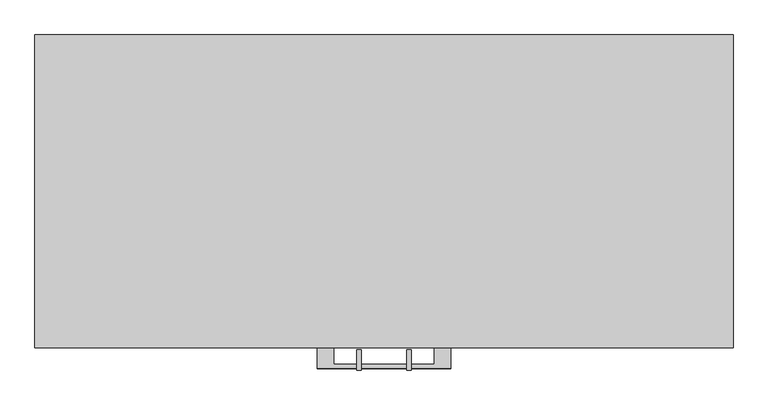
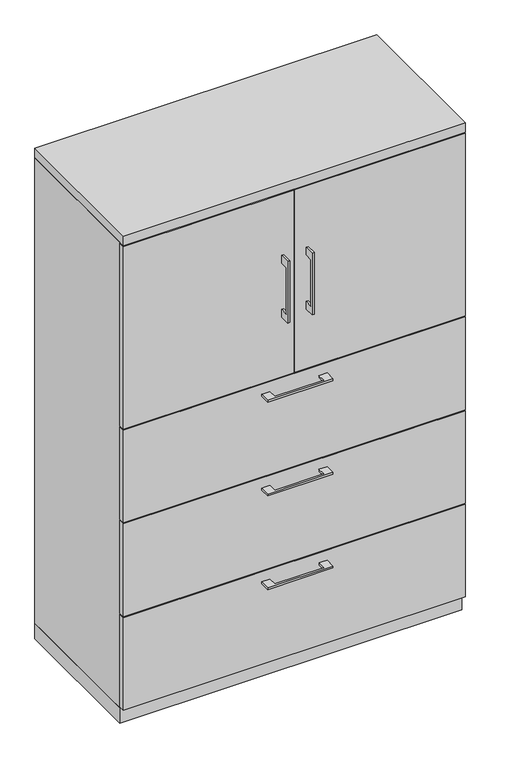
"""IFC4 building model written with IfcOpenShell, lengths in millimetres: furniture geometry."""

from ifc_helpers import new_model, si_unit, frame, origin, origin_with_axes, place, context, project, spatial, polyline, outline, extrude, source, transform, mapped, element, save


def furniture_4214bda1(model_context):
    return source(origin(), model_context, "Body", "SweptSolid", [
        extrude(outline(polyline([(-76.1999818, -476.25), (-76.1999818, -501.6499758), (76.2, -501.6499758), (76.2, -476.25), (101.5999939, -476.25), (101.5999939, -507.9999879), (-101.5999939, -507.9999879), (-101.5999939, -476.25), (-76.1999818, -476.25)])), frame((0.0, 0.0, 935.0375506), z_axis=(0.0, 0.0, 1.0), x_axis=(1.0, 0.0, 0.0)), (0.0, 0.0, 1.0), 6.3499758),
        extrude(outline(polyline([(531.8125, -457.2), (531.8125, -476.25), (-531.8125, -476.25), (-531.8125, -457.2), (531.8125, -457.2)])), frame((0.0, 0.0, 669.925), z_axis=(0.0, 0.0, 1.0), x_axis=(1.0, 0.0, 0.0)), (0.0, 0.0, 1.0), 304.8),
        extrude(outline(polyline([(-479.425, 1354.1375), (-504.8249758, 1354.1375), (-504.8249758, 1201.7375), (-479.425, 1201.7375), (-479.425, 1176.3375), (-511.1749879, 1176.3375), (-511.1749879, 1379.5375), (-479.425, 1379.5375), (-479.425, 1354.1375)])), frame((-41.2749879, 0.0, 0.0), z_axis=(1.0, 0.0, 0.0), x_axis=(0.0, 1.0, 0.0)), (0.0, 0.0, 1.0), 6.3499758),
        extrude(outline(polyline([(-531.8125, -476.25), (-531.8125, -457.2), (-1.5875, -457.2), (-1.5875, -476.25), (-531.8125, -476.25)])), frame((0.0, 0.0, 977.9), z_axis=(0.0, 0.0, 1.0), x_axis=(1.0, 0.0, 0.0)), (0.0, 0.0, 1.0), 600.075),
        extrude(outline(polyline([(-479.425, 1354.1375), (-504.8249758, 1354.1375), (-504.8249758, 1201.7375), (-479.425, 1201.7375), (-479.425, 1176.3375), (-511.1749879, 1176.3375), (-511.1749879, 1379.5375), (-479.425, 1379.5375), (-479.425, 1354.1375)])), frame((34.9250121, 0.0, 0.0), z_axis=(1.0, 0.0, 0.0), x_axis=(0.0, 1.0, 0.0)), (0.0, 0.0, 1.0), 6.3499758),
        extrude(outline(polyline([(531.8125, -476.25), (1.5875, -476.25), (1.5875, -457.2), (531.8125, -457.2), (531.8125, -476.25)])), frame((0.0, 0.0, 977.9), z_axis=(0.0, 0.0, 1.0), x_axis=(1.0, 0.0, 0.0)), (0.0, 0.0, 1.0), 600.075),
        extrude(outline(polyline([(512.7625, -19.05), (512.7625, -457.2), (-512.7625, -457.2), (-512.7625, -19.05), (512.7625, -19.05)])), frame((0.0, 0.0, 1270.0), z_axis=(0.0, 0.0, 1.0), x_axis=(1.0, 0.0, 0.0)), (0.0, 0.0, 1.0), 19.05),
        extrude(outline(polyline([(-76.1999818, -476.25), (-76.1999818, -501.6499758), (76.2, -501.6499758), (76.2, -476.25), (101.5999939, -476.25), (101.5999939, -507.9999879), (-101.5999939, -507.9999879), (-101.5999939, -476.25), (-76.1999818, -476.25)])), frame((0.0, 0.0, 627.0625506), z_axis=(0.0, 0.0, 1.0), x_axis=(1.0, 0.0, 0.0)), (0.0, 0.0, 1.0), 6.3499758),
        extrude(outline(polyline([(531.8125, -457.2), (531.8125, -476.25), (-531.8125, -476.25), (-531.8125, -457.2), (531.8125, -457.2)])), frame((0.0, 0.0, 361.95), z_axis=(0.0, 0.0, 1.0), x_axis=(1.0, 0.0, 0.0)), (0.0, 0.0, 1.0), 304.8),
        extrude(outline(polyline([(-76.1999818, -476.25), (-76.1999818, -501.6499758), (76.2, -501.6499758), (76.2, -476.25), (101.5999939, -476.25), (101.5999939, -507.9999879), (-101.5999939, -507.9999879), (-101.5999939, -476.25), (-76.1999818, -476.25)])), frame((0.0, 0.0, 319.0875506), z_axis=(0.0, 0.0, 1.0), x_axis=(1.0, 0.0, 0.0)), (0.0, 0.0, 1.0), 6.3499758),
        extrude(outline(polyline([(531.8125, -457.2), (531.8125, -476.25), (-531.8125, -476.25), (-531.8125, -457.2), (531.8125, -457.2)])), frame((0.0, 0.0, 53.975), z_axis=(0.0, 0.0, 1.0), x_axis=(1.0, 0.0, 0.0)), (0.0, 0.0, 1.0), 304.8),
        extrude(outline(polyline([(512.7625, -19.05), (512.7625, -457.2), (-512.7625, -457.2), (-512.7625, -19.05), (512.7625, -19.05)])), frame((0.0, 0.0, 50.8), z_axis=(0.0, 0.0, 1.0), x_axis=(1.0, 0.0, 0.0)), (0.0, 0.0, 1.0), 927.1),
        extrude(outline(polyline([(-531.8125, 0.0), (531.8125, 0.0), (531.8125, -457.2), (512.7625, -457.2), (512.7625, -19.05), (-512.7625, -19.05), (-512.7625, -457.2), (-531.8125, -457.2), (-531.8125, 0.0)])), frame((0.0, 0.0, 50.8), z_axis=(0.0, 0.0, 1.0), x_axis=(1.0, 0.0, 0.0)), (0.0, 0.0, 1.0), 1530.35),
        extrude(outline(polyline([(531.8125, 0.0), (531.8125, -476.25), (-531.8125, -476.25), (-531.8125, 0.0), (531.8125, 0.0)])), frame((0.0, 0.0, 1581.15), z_axis=(0.0, 0.0, 1.0), x_axis=(1.0, 0.0, 0.0)), (0.0, 0.0, 1.0), 31.75),
        extrude(outline(polyline([(531.8125, 0.0), (531.8125, -457.2), (-531.8125, -457.2), (-531.8125, 0.0), (531.8125, 0.0)])), origin_with_axes(), (0.0, 0.0, 1.0), 50.8),
    ])


if __name__ == "__main__":
    model = new_model("IFC4")
    model_context = context("Model", 3, world=origin())
    ifc_project = project(units=[si_unit("LENGTHUNIT", "METRE", prefix="MILLI")], contexts=[model_context])
    site = spatial("IfcSite", under=ifc_project)
    building = spatial("IfcBuilding", under=site)
    placement = place(None, origin())
    furniture_shape = furniture_4214bda1(model_context)
    element("IfcFurniture", 1, at=placement, inside=building, context=model_context, shape_type="MappedRepresentation", body=[
        mapped(furniture_shape, transform((0.0, 0.0, 0.0), x_axis=(1.0, 0.0, 0.0), y_axis=(0.0, 1.0, 0.0), z_axis=(0.0, 0.0, 1.0))),
    ])
    save(model, "model.ifc")
